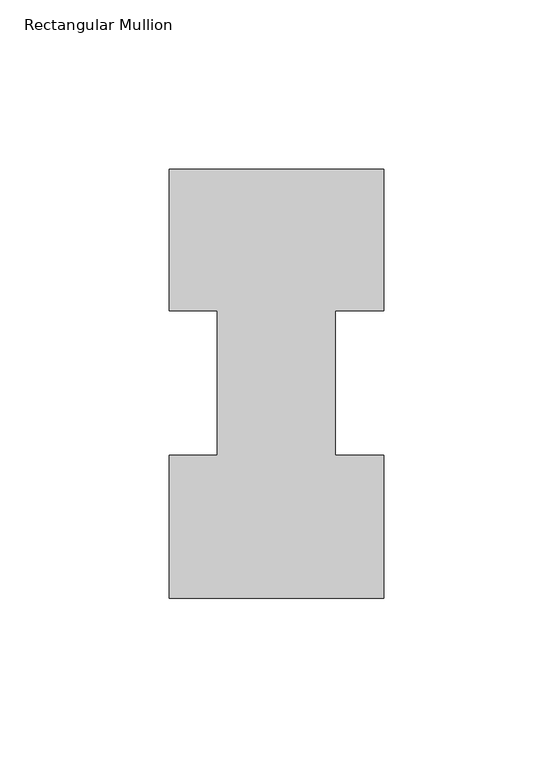
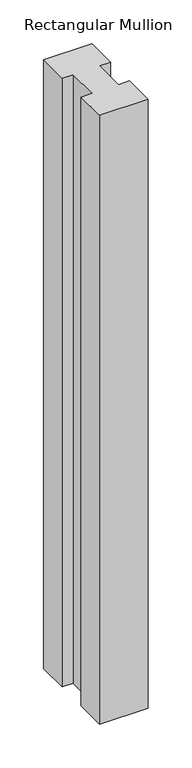
"""IFC4 building model written with IfcOpenShell, lengths in millimetres: member geometry, Rectangular Mullion."""

from ifc_helpers import new_model, si_unit, frame, origin, place, context, project, spatial, polyline, outline, extrude, source, transform, mapped, element, save


def rectangular_mullion_d36dffa0(model_context):
    return source(origin(), model_context, "Body", "SweptSolid", [
        extrude(outline(polyline([(17.4683074, 85.1296875), (17.4683074, 42.2798875), (31.7494574, 42.2798875), (31.7494574, -0.0111125), (-31.75, -0.0111125), (-31.75, 42.2798875), (-17.4644974, 42.2798875), (-17.4644974, 85.1296875), (-31.75, 85.1296875), (-31.75, 126.9888875), (31.75, 126.9888875), (31.75, 85.1296875), (17.4683074, 85.1296875)])), frame((0.0, 0.0, -844.5510851), z_axis=(0.0, 0.0, 1.0), x_axis=(1.0, 0.0, 0.0)), (0.0, 0.0, 1.0), 844.5510851),
    ])


if __name__ == "__main__":
    model = new_model("IFC4")
    model_context = context("Model", 3, world=origin())
    ifc_project = project(units=[si_unit("LENGTHUNIT", "METRE", prefix="MILLI")], contexts=[model_context])
    site = spatial("IfcSite", under=ifc_project)
    building = spatial("IfcBuilding", under=site)
    placement = place(None, origin())
    rectangular_mullion_shape = rectangular_mullion_d36dffa0(model_context)
    element("IfcMember", 1, ObjectType="Rectangular Mullion", at=placement, inside=building, context=model_context, shape_type="MappedRepresentation", body=[
        mapped(rectangular_mullion_shape, transform((0.0, 0.0, 0.0), x_axis=(1.0, 0.0, 0.0), y_axis=(0.0, 1.0, 0.0), z_axis=(0.0, 0.0, 1.0))),
    ])
    save(model, "model.ifc")
